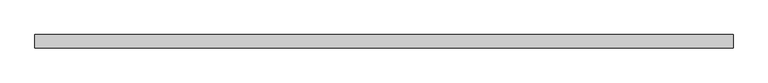
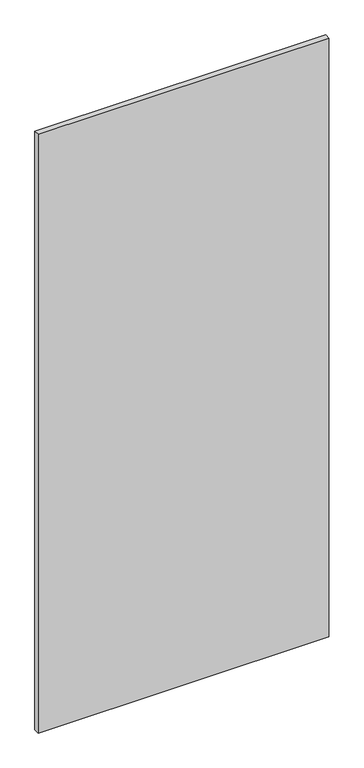
"""IFC4 building model written with IfcOpenShell, lengths in millimetres: proxy geometry."""

from ifc_helpers import new_model, si_unit, frame, origin, place, context, project, spatial, polyline, outline, extrude, source, transform, mapped, element, save


def specialty_equipment_e2636fcf(model_context):
    return source(origin(), model_context, "Body", "SweptSolid", [
        extrude(outline(polyline([(506.1204, 9.525), (506.1204, -9.525), (-506.1204, -9.525), (-506.1204, 9.525), (506.1204, 9.525)])), frame((0.0, 0.0, 3.175), z_axis=(0.0, 0.0, 1.0), x_axis=(1.0, 0.0, 0.0)), (0.0, 0.0, 1.0), 2203.45),
    ])


if __name__ == "__main__":
    model = new_model("IFC4")
    model_context = context("Model", 3, world=origin())
    ifc_project = project(units=[si_unit("LENGTHUNIT", "METRE", prefix="MILLI")], contexts=[model_context])
    site = spatial("IfcSite", under=ifc_project)
    building = spatial("IfcBuilding", under=site)
    placement = place(None, origin())
    specialty_equipment_shape = specialty_equipment_e2636fcf(model_context)
    element("IfcBuildingElementProxy", 1, Name="Specialty Equipment", at=placement, inside=building, context=model_context, shape_type="MappedRepresentation", body=[
        mapped(specialty_equipment_shape, transform((0.0, 0.0, 0.0), x_axis=(1.0, 0.0, 0.0), y_axis=(0.0, 1.0, 0.0), z_axis=(0.0, 0.0, 1.0))),
    ])
    save(model, "model.ifc")
